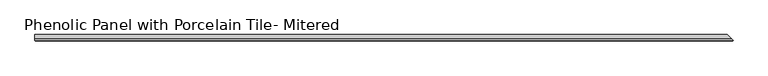
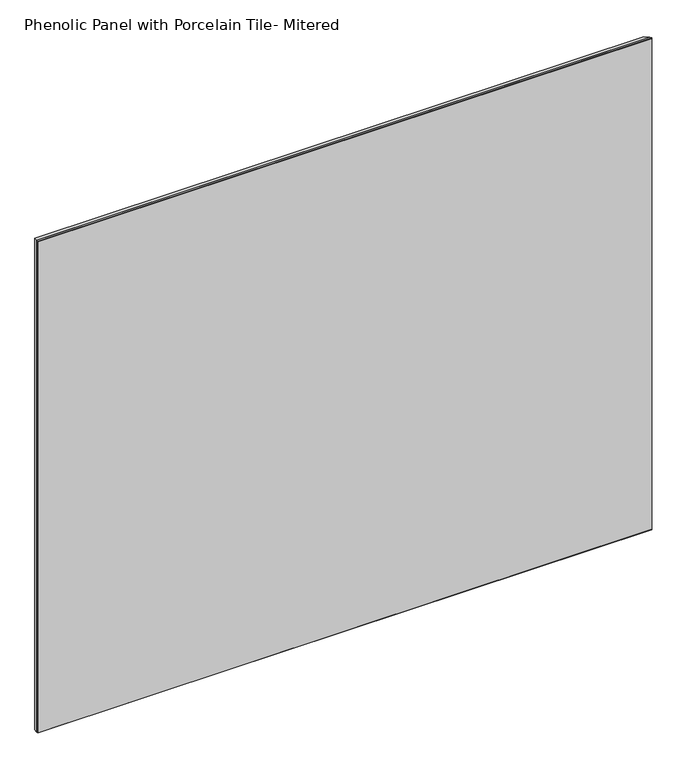
"""IFC4 building model written with IfcOpenShell, lengths in millimetres: proxy geometry, Phenolic Panel with Porcelain Tile- Mitered."""

from ifc_helpers import new_model, si_unit, origin, origin_with_axes, place, context, project, spatial, polyline, outline, extrude, faceted_brep, source, transform, mapped, element, save


def phenolic_panel_with_porcelain_tile_mitered_0c5eb385(model_context):
    return source(origin(), model_context, "Body", "SolidModel", [
        faceted_brep([(1006.8724804, -5.5568554, 914.4), (1004.490625, -3.175, 914.4), (-73.025, -3.175, 914.4), (-73.025, -5.5555609, 914.4), (-73.025, -5.5555609, 0.0), (-73.025, -3.175, 0.0), (1004.490625, -3.175, 0.0), (1006.8724804, -5.5568554, 0.0), (-72.2380738, -6.3486813, 913.6067749), (-72.2380738, -6.3486813, 0.7924172), (1006.0914347, -6.3486813, 0.7924172), (1006.0914347, -6.3486813, 913.6067749)], [[[0, 1, 2, 3]], [[4, 5, 6, 7]], [[8, 9, 10, 11]], [[3, 4, 9, 8]], [[7, 0, 11, 10]], [[0, 3, 8, 11]], [[4, 7, 10, 9]], [[1, 0, 7, 6]], [[2, 1, 6, 5]], [[3, 2, 5, 4]]]),
        extrude(outline(polyline([(998.140625, 3.175), (1004.490625, -3.175), (-73.025, -3.175), (-73.025, 3.175), (998.140625, 3.175)])), origin_with_axes(), (0.0, 0.0, 1.0), 914.4),
    ])


if __name__ == "__main__":
    model = new_model("IFC4")
    model_context = context("Model", 3, world=origin())
    ifc_project = project(units=[si_unit("LENGTHUNIT", "METRE", prefix="MILLI")], contexts=[model_context])
    site = spatial("IfcSite", under=ifc_project)
    building = spatial("IfcBuilding", under=site)
    placement = place(None, origin())
    phenolic_panel_with_porcelain_tile_mitered_shape = phenolic_panel_with_porcelain_tile_mitered_0c5eb385(model_context)
    element("IfcBuildingElementProxy", 1, Name="Phenolic Panel with Porcelain Tile- Mitered", ObjectType="Phenolic Panel with Porcelain Tile- Mitered", at=placement, inside=building, context=model_context, shape_type="MappedRepresentation", body=[
        mapped(phenolic_panel_with_porcelain_tile_mitered_shape, transform((0.0, 0.0, 0.0), x_axis=(1.0, 0.0, 0.0), y_axis=(0.0, 1.0, 0.0), z_axis=(0.0, 0.0, 1.0))),
    ])
    save(model, "model.ifc")
